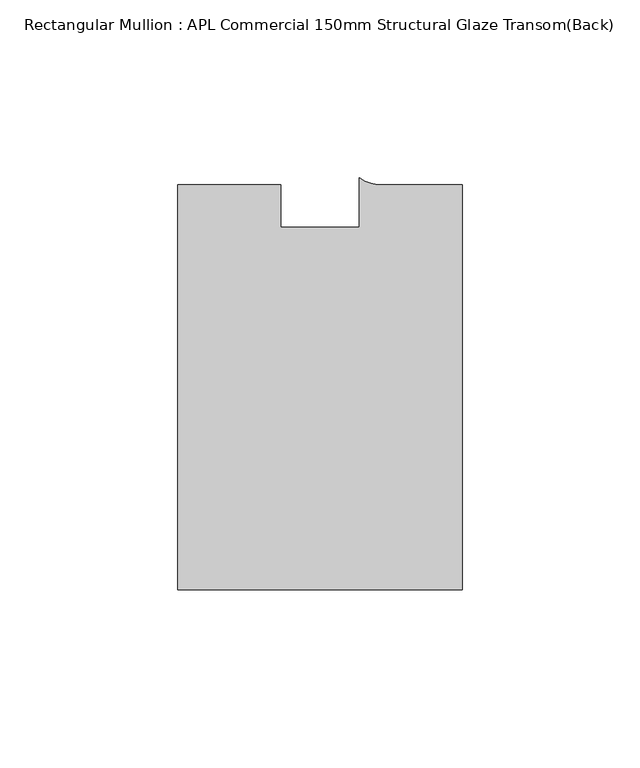
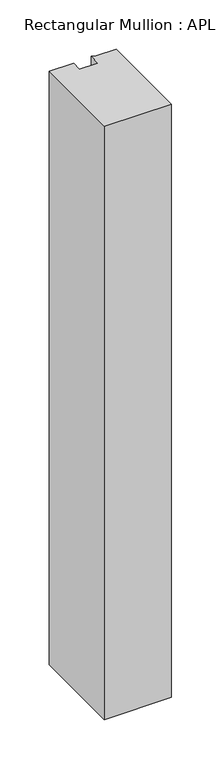
"""IFC4 building model written with IfcOpenShell, lengths in millimetres: member geometry, Rectangular Mullion : APL Commercial 150mm Structural Glaze Transom(Back)."""

from ifc_helpers import new_model, si_unit, point, frame, frame_2d, origin, place, context, project, spatial, polyline, circle_curve, trimmed, segment, composite_curve, outline, extrude, source, transform, mapped, element, save


def rectangular_mullion_apl_commercial_150mm_structural_glaze_49b7870d(model_context):
    return source(origin(), model_context, "Body", "SweptSolid", [
        extrude(outline(composite_curve([segment(polyline([(40.0, -128.9999975), (-40.0, -128.9999975), (-40.0, -15.0000829), (-11.0000151, -15.0000829), (-11.0000151, -27.0), (11.0000151, -27.0), (11.0000151, -13.0673455)]), True, "CONTINUOUS"), segment(trimmed(circle_curve(frame_2d((17.1097719, -4.581653)), 10.4563907), [point((11.0000151, -13.0673455))], [point((17.9999542, -15.0000829))], True, "CARTESIAN"), True, "CONTINUOUS"), segment(polyline([(17.9999542, -15.0000829), (40.0, -15.0000829), (40.0, -128.9999975)]), True, "CONTINUOUS")], self_intersect=False)), frame((0.0, 0.0, -749.4593594), z_axis=(0.0, 0.0, 1.0), x_axis=(1.0, 0.0, 0.0)), (0.0, 0.0, 1.0), 749.4593594),
    ])


if __name__ == "__main__":
    model = new_model("IFC4")
    model_context = context("Model", 3, world=origin())
    ifc_project = project(units=[si_unit("LENGTHUNIT", "METRE", prefix="MILLI")], contexts=[model_context])
    site = spatial("IfcSite", under=ifc_project)
    building = spatial("IfcBuilding", under=site)
    placement = place(None, origin())
    rectangular_mullion_apl_commercial_150mm_structural_glaze_shape = rectangular_mullion_apl_commercial_150mm_structural_glaze_49b7870d(model_context)
    element("IfcMember", 1, ObjectType="Rectangular Mullion : APL Commercial 150mm Structural Glaze Transom(Back)", at=placement, inside=building, context=model_context, shape_type="MappedRepresentation", body=[
        mapped(rectangular_mullion_apl_commercial_150mm_structural_glaze_shape, transform((0.0, 0.0, 0.0), x_axis=(1.0, 0.0, 0.0), y_axis=(0.0, 1.0, 0.0), z_axis=(0.0, 0.0, 1.0))),
    ])
    save(model, "model.ifc")
